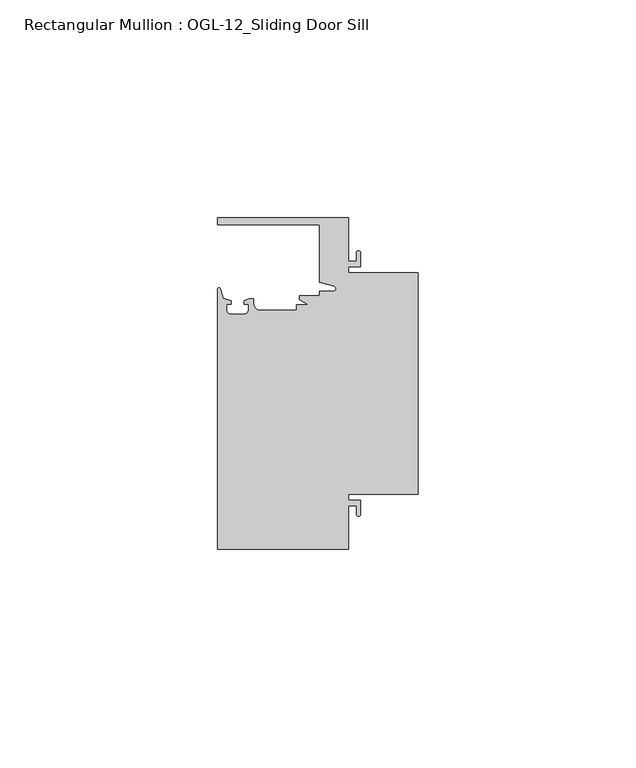
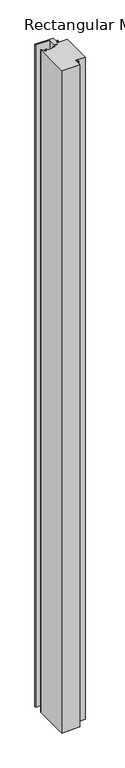
"""IFC4 building model written with IfcOpenShell, lengths in millimetres: member geometry, Rectangular Mullion : OGL-12_Sliding Door Sill."""

from ifc_helpers import new_model, si_unit, point, frame, frame_2d, origin, place, context, project, spatial, polyline, circle_curve, trimmed, segment, composite_curve, outline, extrude, source, transform, mapped, element, save


def rectangular_mullion_ogl_12_sliding_door_sill_4abb2364(model_context):
    return source(origin(), model_context, "Body", "SweptSolid", [
        extrude(outline(composite_curve([segment(polyline([(0.0, 25.4), (0.0, -25.4), (-15.934238, -25.4), (-15.934238, -26.8479425), (-13.2417195, -26.8479425), (-13.2417195, -30.0428503)]), True, "CONTINUOUS"), segment(trimmed(circle_curve(frame_2d((-13.6974747, -30.0428503)), 0.4557552), [point((-13.2417195, -30.0428503))], [point((-14.15323, -30.0428503))], False, "CARTESIAN"), True, "CONTINUOUS"), segment(polyline([(-14.15323, -30.0428503), (-14.15323, -28.0544425), (-15.934238, -28.0544425), (-15.934238, -38.1003208), (-46.0931306, -38.1003208), (-46.0931306, 21.6259141)]), True, "CONTINUOUS"), segment(trimmed(circle_curve(frame_2d((-45.7573546, 21.6259141)), 0.335776), [point((-46.0931306, 21.6259141))], [point((-45.434586, 21.7184665))], False, "CARTESIAN"), True, "CONTINUOUS"), segment(polyline([(-45.434586, 21.7184665), (-44.83413, 19.6244274), (-43.0244711, 19.0364336), (-43.0244711, 18.2246744), (-44.0028338, 18.2246744), (-44.0028338, 16.7746773)]), True, "CONTINUOUS"), segment(trimmed(circle_curve(frame_2d((-43.2028354, 16.7746773)), 0.7999984), [point((-44.0028338, 16.7746773))], [point((-43.2028354, 15.9746789))], True, "CARTESIAN"), True, "CONTINUOUS"), segment(polyline([(-43.2028354, 15.9746789), (-39.8028422, 15.9746789)]), True, "CONTINUOUS"), segment(trimmed(circle_curve(frame_2d((-39.8028422, 16.7746773)), 0.7999984), [point((-39.8028422, 15.9746789))], [point((-39.0028438, 16.7746773))], True, "CARTESIAN"), True, "CONTINUOUS"), segment(polyline([(-39.0028438, 16.7746773), (-39.0028438, 18.2246744), (-39.9812066, 18.2246744), (-39.9812066, 19.0676205), (-38.8813571, 19.4491353), (-37.7528423, 19.4819389), (-37.7528423, 18.2799969)]), True, "CONTINUOUS"), segment(trimmed(circle_curve(frame_2d((-36.3386331, 18.2778896)), 1.4142107), [point((-37.7528423, 18.2799969))], [point((-36.3386331, 16.8636789))], True, "CARTESIAN"), True, "CONTINUOUS"), segment(polyline([(-36.3386331, 16.8636789), (-27.9268052, 16.8636789), (-27.9268052, 18.1505375), (-25.1995125, 18.1505375), (-27.2970068, 19.265795), (-27.2970068, 20.2164975), (-22.6027094, 20.2164975), (-22.6027094, 21.2536528), (-19.3562398, 21.2536528)]), True, "CONTINUOUS"), segment(trimmed(circle_curve(frame_2d((-19.3562398, 21.789076)), 0.5354233), [point((-19.3562398, 21.2536528))], [point((-19.2086572, 22.3037579))], True, "CARTESIAN"), True, "CONTINUOUS"), segment(polyline([(-19.2086572, 22.3037579), (-22.6260049, 23.2836666), (-22.6260049, 36.5121792), (-46.0931306, 36.5121792), (-46.0931306, 38.0996792), (-15.934238, 38.0996792), (-15.934238, 28.0538009), (-14.15323, 28.0538009), (-14.15323, 30.0428503)]), True, "CONTINUOUS"), segment(trimmed(circle_curve(frame_2d((-13.6974747, 30.0428503)), 0.4557552), [point((-14.15323, 30.0428503))], [point((-13.2417195, 30.0428503))], False, "CARTESIAN"), True, "CONTINUOUS"), segment(polyline([(-13.2417195, 30.0428503), (-13.2417195, 26.8473009), (-15.934238, 26.8473009), (-15.934238, 25.4), (0.0, 25.4)]), True, "CONTINUOUS")], self_intersect=False)), frame((0.0, 0.0, -1155.7), z_axis=(0.0, 0.0, 1.0), x_axis=(1.0, 0.0, 0.0)), (0.0, 0.0, 1.0), 1155.7),
    ])


if __name__ == "__main__":
    model = new_model("IFC4")
    model_context = context("Model", 3, world=origin())
    ifc_project = project(units=[si_unit("LENGTHUNIT", "METRE", prefix="MILLI")], contexts=[model_context])
    site = spatial("IfcSite", under=ifc_project)
    building = spatial("IfcBuilding", under=site)
    placement = place(None, origin())
    rectangular_mullion_ogl_12_sliding_door_sill_shape = rectangular_mullion_ogl_12_sliding_door_sill_4abb2364(model_context)
    element("IfcMember", 1, ObjectType="Rectangular Mullion : OGL-12_Sliding Door Sill", at=placement, inside=building, context=model_context, shape_type="MappedRepresentation", body=[
        mapped(rectangular_mullion_ogl_12_sliding_door_sill_shape, transform((0.0, 0.0, 0.0), x_axis=(1.0, 0.0, 0.0), y_axis=(0.0, 1.0, 0.0), z_axis=(0.0, 0.0, 1.0))),
    ])
    save(model, "model.ifc")
